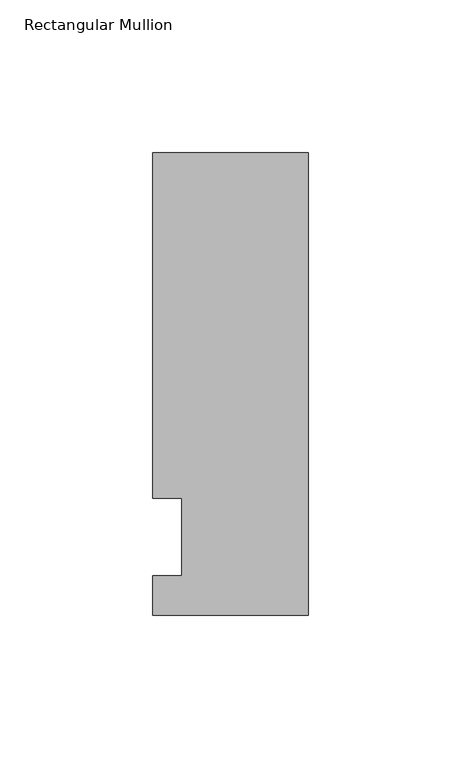
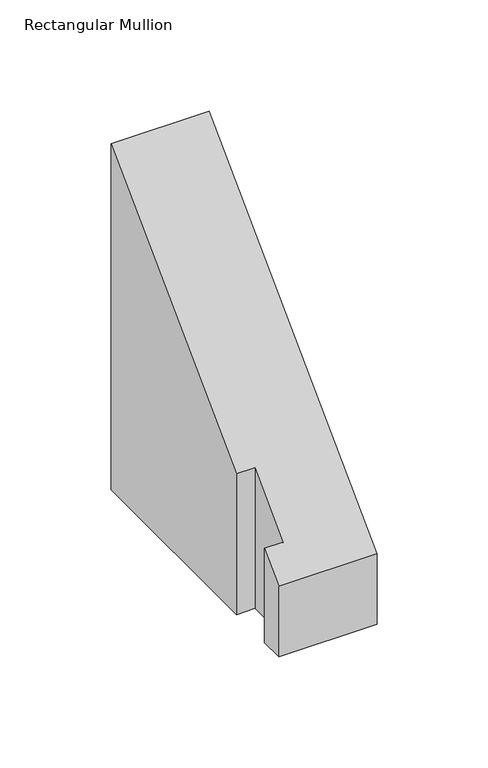
"""IFC4 building model written with IfcOpenShell, lengths in millimetres: member geometry, Rectangular Mullion."""

from ifc_helpers import new_model, si_unit, origin, place, context, project, spatial, faceted_brep, source, transform, mapped, element, save


def rectangular_mullion_c9af8ce8(model_context):
    return source(origin(), model_context, "Body", "Brep", [
        faceted_brep([(-50.8, -25.5984375, -64.44615), (-50.8, -12.7, -64.44615), (-41.275, -12.7, -64.44615), (-41.275, 12.7, -64.44615), (-50.8, 12.7, -64.44615), (-50.8, 125.6109375, -64.44615), (0.0, 125.6109375, -64.44615), (0.0, -25.5984375, -64.44615), (0.0, -25.5984375, -25.5984375), (-50.8, -25.5984375, -25.5984375), (0.0, 125.6109375, 125.6109375), (-50.8, 125.6109375, 125.6109375), (-50.8, 12.7, 12.7), (-41.275, 12.7, 12.7), (-41.275, -12.7, -12.7), (-50.8, -12.7, -12.7)], [[[0, 1, 2, 3, 4, 5, 6, 7]], [[8, 9, 0, 7]], [[10, 8, 7, 6]], [[11, 10, 6, 5]], [[12, 11, 5, 4]], [[13, 12, 4, 3]], [[14, 13, 3, 2]], [[15, 14, 2, 1]], [[9, 15, 1, 0]], [[9, 8, 10, 11, 12, 13, 14, 15]]]),
    ])


if __name__ == "__main__":
    model = new_model("IFC4")
    model_context = context("Model", 3, world=origin())
    ifc_project = project(units=[si_unit("LENGTHUNIT", "METRE", prefix="MILLI")], contexts=[model_context])
    site = spatial("IfcSite", under=ifc_project)
    building = spatial("IfcBuilding", under=site)
    placement = place(None, origin())
    rectangular_mullion_shape = rectangular_mullion_c9af8ce8(model_context)
    element("IfcMember", 1, ObjectType="Rectangular Mullion", at=placement, inside=building, context=model_context, shape_type="MappedRepresentation", body=[
        mapped(rectangular_mullion_shape, transform((0.0, 0.0, 0.0), x_axis=(1.0, 0.0, 0.0), y_axis=(0.0, 1.0, 0.0), z_axis=(0.0, 0.0, 1.0))),
    ])
    save(model, "model.ifc")
